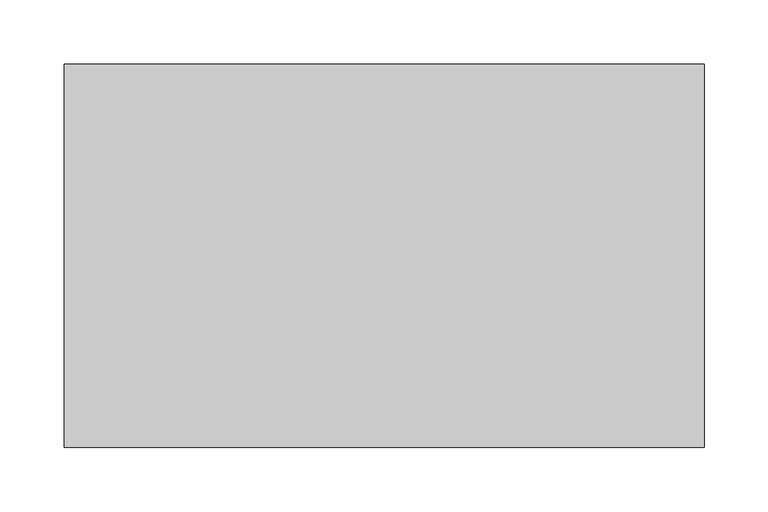
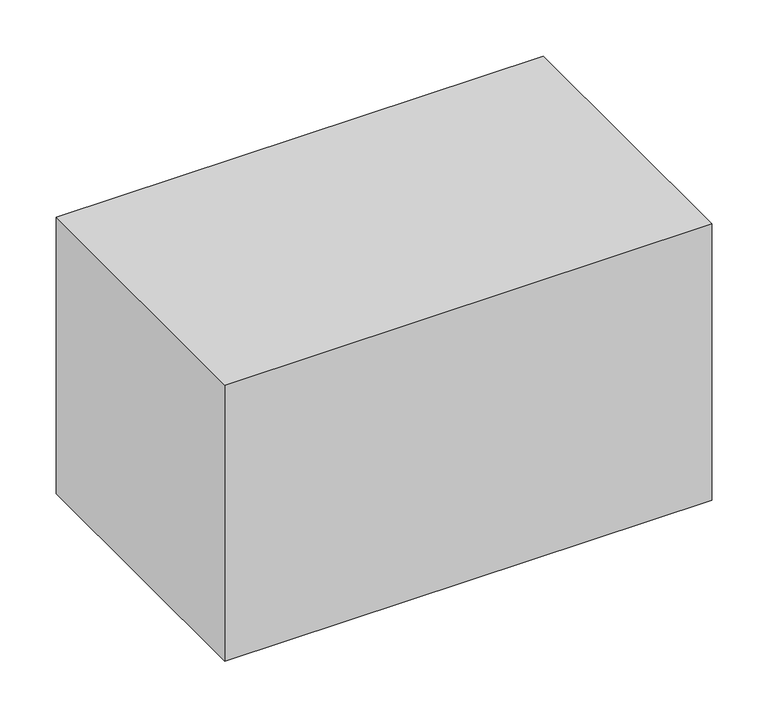
"""IFC4 building model written with IfcOpenShell, lengths in millimetres: proxy geometry."""

from ifc_helpers import new_model, si_unit, origin, origin_with_axes, place, context, project, spatial, polyline, outline, extrude, source, transform, mapped, element, save


def specialty_equipment_a9ae3f13(model_context):
    return source(origin(), model_context, "Body", "SweptSolid", [
        extrude(outline(polyline([(250.0, 150.0), (250.0, -150.0), (-250.0, -150.0), (-250.0, 150.0), (250.0, 150.0)])), origin_with_axes(), (0.0, 0.0, 1.0), 300.0),
    ])


if __name__ == "__main__":
    model = new_model("IFC4")
    model_context = context("Model", 3, world=origin())
    ifc_project = project(units=[si_unit("LENGTHUNIT", "METRE", prefix="MILLI")], contexts=[model_context])
    site = spatial("IfcSite", under=ifc_project)
    building = spatial("IfcBuilding", under=site)
    placement = place(None, origin())
    specialty_equipment_shape = specialty_equipment_a9ae3f13(model_context)
    element("IfcBuildingElementProxy", 1, Name="Specialty Equipment", at=placement, inside=building, context=model_context, shape_type="MappedRepresentation", body=[
        mapped(specialty_equipment_shape, transform((0.0, 0.0, 0.0), x_axis=(1.0, 0.0, 0.0), y_axis=(0.0, 1.0, 0.0), z_axis=(0.0, 0.0, 1.0))),
    ])
    save(model, "model.ifc")
